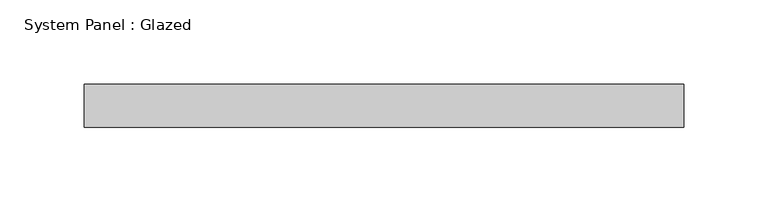
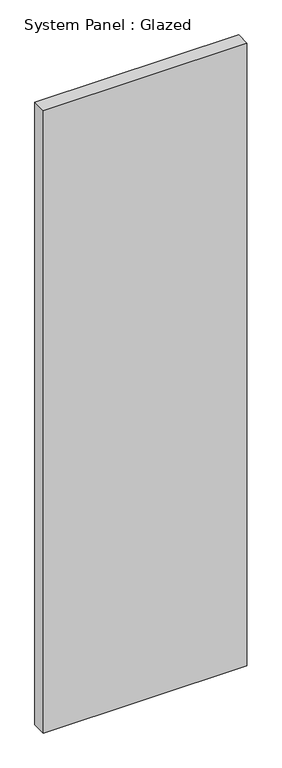
"""IFC4 building model written with IfcOpenShell, lengths in millimetres: plate geometry, System Panel : Glazed."""

from ifc_helpers import new_model, si_unit, origin, origin_with_axes, place, context, project, spatial, polyline, outline, extrude, source, transform, mapped, element, save


def system_panel_glazed_ad4922fa(model_context):
    return source(origin(), model_context, "Body", "SweptSolid", [
        extrude(outline(polyline([(177.8, -12.7), (-177.8, -12.7), (-177.8, 12.7), (177.8, 12.7), (177.8, -12.7)])), origin_with_axes(), (0.0, 0.0, 1.0), 1149.35),
    ])


if __name__ == "__main__":
    model = new_model("IFC4")
    model_context = context("Model", 3, world=origin())
    ifc_project = project(units=[si_unit("LENGTHUNIT", "METRE", prefix="MILLI")], contexts=[model_context])
    site = spatial("IfcSite", under=ifc_project)
    building = spatial("IfcBuilding", under=site)
    placement = place(None, origin())
    system_panel_glazed_shape = system_panel_glazed_ad4922fa(model_context)
    element("IfcPlate", 1, ObjectType="System Panel : Glazed", at=placement, inside=building, context=model_context, shape_type="MappedRepresentation", body=[
        mapped(system_panel_glazed_shape, transform((0.0, 0.0, 0.0), x_axis=(1.0, 0.0, 0.0), y_axis=(0.0, 1.0, 0.0), z_axis=(0.0, 0.0, 1.0))),
    ])
    save(model, "model.ifc")
